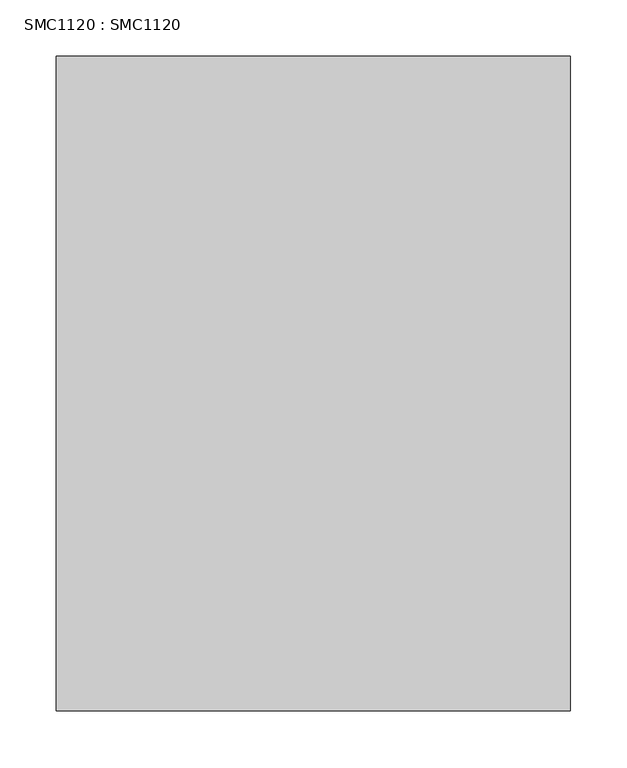
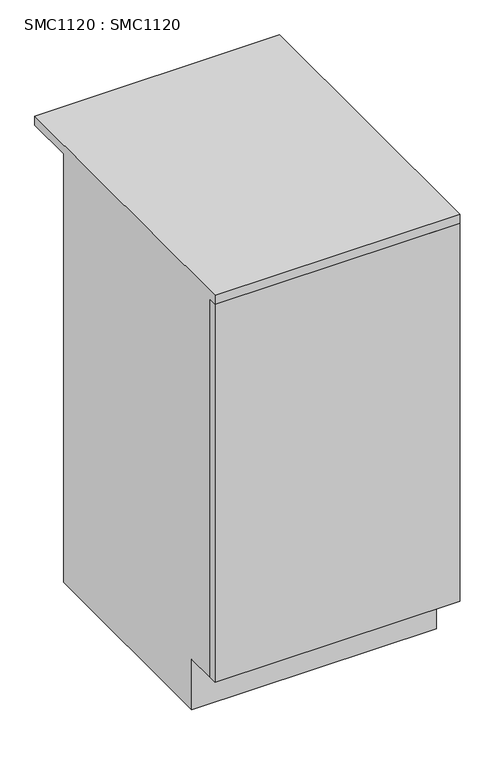
"""IFC4 building model written with IfcOpenShell, lengths in millimetres: proxy geometry, SMC1120 : SMC1120."""

from ifc_helpers import new_model, si_unit, frame, origin, place, context, project, spatial, polyline, outline, extrude, faceted_brep, source, transform, mapped, element, save


def smc1120_smc1120_dd38d3de(model_context):
    return source(origin(), model_context, "Body", "SolidModel", [
        faceted_brep([(0.0, -92.0, 0.0), (455.0, -92.0, 0.0), (455.0, -505.0, 0.0), (0.0, -505.0, 0.0), (437.0, -110.0, 0.0), (18.0, -110.0, 0.0), (18.0, -487.0, 0.0), (437.0, -487.0, 0.0), (455.0, -92.0, 842.0), (455.0, 0.0, 842.0), (455.0, 0.0, 860.0), (455.0, -580.0, 860.0), (455.0, -580.0, 842.0), (455.0, -562.0, 842.0), (455.0, -562.0, 100.0), (455.0, -505.0, 100.0), (18.0, -487.0, 100.0), (437.0, -487.0, 100.0), (0.0, -92.0, 842.0), (0.0, -505.0, 100.0), (0.0, -562.0, 100.0), (0.0, -562.0, 842.0), (0.0, -580.0, 842.0), (0.0, -580.0, 860.0), (0.0, 0.0, 860.0), (0.0, 0.0, 842.0), (18.0, -562.0, 118.0), (437.0, -562.0, 118.0), (437.0, -110.0, 118.0), (18.0, -110.0, 118.0), (18.0, -110.0, 100.0), (437.0, -110.0, 100.0), (18.0, -562.0, 842.0), (437.0, -562.0, 842.0), (18.0, -110.0, 842.0), (437.0, -110.0, 842.0)], [[[0, 1, 2, 3], [4, 5, 6, 7]], [[1, 8, 9, 10, 11, 12, 13, 14, 15, 2]], [[7, 6, 16, 17]], [[18, 0, 3, 19, 20, 21, 22, 23, 24, 25]], [[2, 15, 19, 3]], [[26, 27, 28, 29]], [[15, 14, 20, 19]], [[17, 16, 30, 31]], [[26, 32, 21, 20, 14, 13, 33, 27]], [[6, 5, 30, 16]], [[29, 34, 32, 26]], [[5, 4, 31, 30]], [[34, 29, 28, 35]], [[4, 7, 17, 31]], [[35, 28, 27, 33]], [[1, 0, 18, 8]], [[10, 24, 23, 11]], [[12, 22, 21, 32, 34, 35, 33, 13]], [[25, 9, 8, 18]], [[24, 10, 9, 25]], [[11, 23, 22, 12]]]),
        extrude(outline(polyline([(455.0, -580.0), (0.0, -580.0), (0.0, -562.0), (455.0, -562.0), (455.0, -580.0)])), frame((0.0, 0.0, 100.0), z_axis=(0.0, 0.0, 1.0), x_axis=(1.0, 0.0, 0.0)), (0.0, 0.0, 1.0), 742.0),
    ])


if __name__ == "__main__":
    model = new_model("IFC4")
    model_context = context("Model", 3, world=origin())
    ifc_project = project(units=[si_unit("LENGTHUNIT", "METRE", prefix="MILLI")], contexts=[model_context])
    site = spatial("IfcSite", under=ifc_project)
    building = spatial("IfcBuilding", under=site)
    placement = place(None, origin())
    smc1120_smc1120_shape = smc1120_smc1120_dd38d3de(model_context)
    element("IfcBuildingElementProxy", 1, Name="SMC1120 : SMC1120", ObjectType="SMC1120 : SMC1120", at=placement, inside=building, context=model_context, shape_type="MappedRepresentation", body=[
        mapped(smc1120_smc1120_shape, transform((0.0, 0.0, 0.0), x_axis=(1.0, 0.0, 0.0), y_axis=(0.0, 1.0, 0.0), z_axis=(0.0, 0.0, 1.0))),
    ])
    save(model, "model.ifc")
